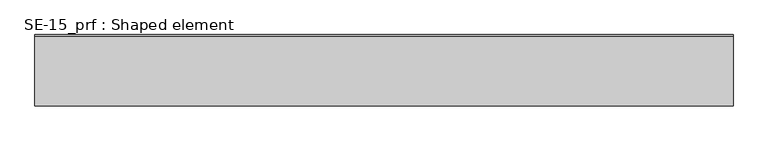
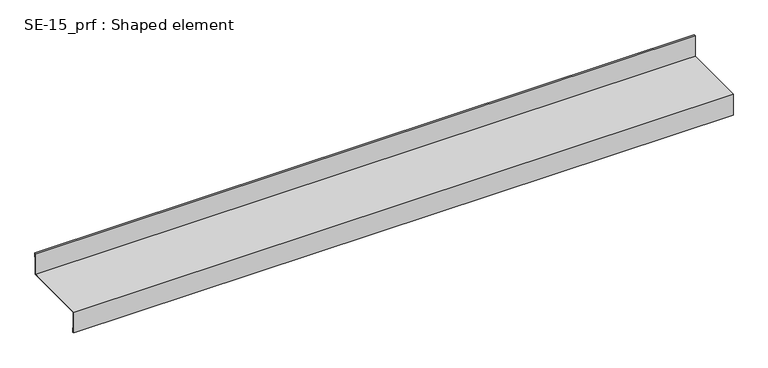
"""IFC4 building model written with IfcOpenShell, lengths in millimetres: proxy geometry, SE-15_prf : Shaped element."""

from ifc_helpers import new_model, si_unit, origin, place, context, project, spatial, faceted_brep, source, transform, mapped, element, save


def se_15_prf_shaped_element_2f652582(model_context):
    return source(origin(), model_context, "Body", "Brep", [
        faceted_brep([(0.0, 145.0, 2.0), (0.0, -5.0, 2.0), (1500.0, -5.0, 2.0), (1500.0, 145.0, 2.0), (0.0, 145.0, 52.0), (1500.0, 145.0, 52.0), (0.0, 148.0, 52.0), (1500.0, 148.0, 52.0), (0.0, 148.0, 42.0), (1500.0, 148.0, 42.0), (0.0, 147.0, 42.0), (1500.0, 147.0, 42.0), (0.0, 147.0, 51.0), (1500.0, 147.0, 51.0), (0.0, 146.0, 51.0), (1500.0, 146.0, 51.0), (0.0, 146.0, 1.0), (1500.0, 146.0, 1.0), (0.0, -4.0, 1.0), (1500.0, -4.0, 1.0), (0.0, -4.0, 0.0), (1500.0, -4.0, 0.0), (1500.0, -4.0, -47.0), (0.0, -4.0, -47.0), (0.0, -3.0, -47.0), (1500.0, -3.0, -47.0), (0.0, -3.0, -38.0), (1500.0, -3.0, -38.0), (0.0, -2.0, -38.0), (1500.0, -2.0, -38.0), (0.0, -2.0, -48.0), (1500.0, -2.0, -48.0), (0.0, -5.0, -48.0), (1500.0, -5.0, -48.0), (0.0, -5.0, 0.0), (1500.0, -5.0, 0.0)], [[[0, 1, 2, 3]], [[4, 0, 3, 5]], [[6, 4, 5, 7]], [[8, 6, 7, 9]], [[10, 8, 9, 11]], [[12, 10, 11, 13]], [[14, 12, 13, 15]], [[16, 14, 15, 17]], [[18, 16, 17, 19]], [[20, 18, 19, 21, 22, 23]], [[24, 23, 22, 25]], [[26, 24, 25, 27]], [[28, 26, 27, 29]], [[30, 28, 29, 31]], [[32, 30, 31, 33]], [[1, 34, 32, 33, 35, 2]], [[20, 34, 1, 0, 4, 6, 8, 10, 12, 14, 16, 18]], [[34, 20, 23, 24, 26, 28, 30, 32]], [[35, 21, 19, 17, 15, 13, 11, 9, 7, 5, 3, 2]], [[21, 35, 33, 31, 29, 27, 25, 22]]]),
    ])


if __name__ == "__main__":
    model = new_model("IFC4")
    model_context = context("Model", 3, world=origin())
    ifc_project = project(units=[si_unit("LENGTHUNIT", "METRE", prefix="MILLI")], contexts=[model_context])
    site = spatial("IfcSite", under=ifc_project)
    building = spatial("IfcBuilding", under=site)
    placement = place(None, origin())
    se_15_prf_shaped_element_shape = se_15_prf_shaped_element_2f652582(model_context)
    element("IfcBuildingElementProxy", 1, Name="SE-15_prf : Shaped element", ObjectType="SE-15_prf : Shaped element", at=placement, inside=building, context=model_context, shape_type="MappedRepresentation", body=[
        mapped(se_15_prf_shaped_element_shape, transform((0.0, 0.0, 0.0), x_axis=(1.0, 0.0, 0.0), y_axis=(0.0, 1.0, 0.0), z_axis=(0.0, 0.0, 1.0))),
    ])
    save(model, "model.ifc")
